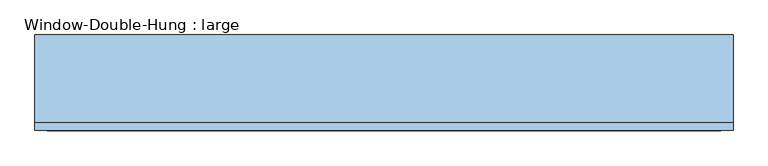
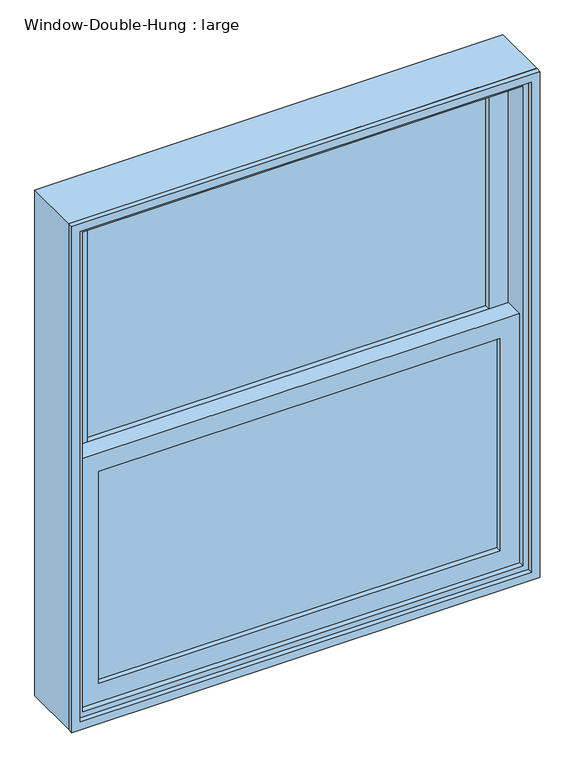
"""IFC4 building model written with IfcOpenShell, lengths in millimetres: window geometry, Window-Double-Hung : large."""

from ifc_helpers import new_model, si_unit, frame, origin, place, context, project, spatial, polyline, outline, extrude, source, transform, mapped, element, save


def window_double_hung_large_e3eacd3b(model_context):
    return source(origin(), model_context, "Body", "SweptSolid", [
        extrude(outline(polyline([(457.2, -6.35), (457.2, -12.7), (-457.2, -12.7), (-457.2, -6.35), (457.2, -6.35)])), frame((0.0, 0.0, 990.6), z_axis=(0.0, 0.0, 1.0), x_axis=(1.0, 0.0, 0.0)), (0.0, 0.0, 1.0), 511.175),
        extrude(outline(polyline([(-457.2, -19.05), (457.2, -19.05), (457.2, -25.4), (-457.2, -25.4), (-457.2, -19.05)])), frame((0.0, 0.0, 990.6), z_axis=(0.0, 0.0, 1.0), x_axis=(1.0, 0.0, 0.0)), (0.0, 0.0, 1.0), 511.175),
        extrude(outline(polyline([(457.2, 38.1), (457.2, 31.75), (-457.2, 31.75), (-457.2, 38.1), (457.2, 38.1)])), frame((0.0, 0.0, 1546.225), z_axis=(0.0, 0.0, 1.0), x_axis=(1.0, 0.0, 0.0)), (0.0, 0.0, 1.0), 511.175),
        extrude(outline(polyline([(-457.2, 25.4), (457.2, 25.4), (457.2, 19.05), (-457.2, 19.05), (-457.2, 25.4)])), frame((0.0, 0.0, 1546.225), z_axis=(0.0, 0.0, 1.0), x_axis=(1.0, 0.0, 0.0)), (0.0, 0.0, 1.0), 511.175),
        extrude(outline(polyline([(1546.225, -501.65), (946.15, -501.65), (946.15, 501.65), (1546.225, 501.65), (1546.225, -501.65)]), holes=[polyline([(1501.775, 457.2), (990.6, 457.2), (990.6, -457.2), (1501.775, -457.2), (1501.775, 457.2)])]), frame((0.0, -38.1, 0.0), z_axis=(0.0, 1.0, 0.0), x_axis=(0.0, 0.0, 1.0)), (0.0, 0.0, 1.0), 44.45),
        extrude(outline(polyline([(2101.85, -501.65), (1501.775, -501.65), (1501.775, 501.65), (2101.85, 501.65), (2101.85, -501.65)]), holes=[polyline([(2057.4, 457.2), (1546.225, 457.2), (1546.225, -457.2), (2057.4, -457.2), (2057.4, 457.2)])]), frame((0.0, 6.35, 0.0), z_axis=(0.0, 1.0, 0.0), x_axis=(0.0, 0.0, 1.0)), (0.0, 0.0, 1.0), 44.45),
        extrude(outline(polyline([(2133.6, -533.4), (914.4, -533.4), (914.4, 533.4), (2133.6, 533.4), (2133.6, -533.4)]), holes=[polyline([(2101.85, 501.65), (946.15, 501.65), (946.15, -501.65), (2101.85, -501.65), (2101.85, 501.65)])]), frame((0.0, -50.8, 0.0), z_axis=(0.0, 1.0, 0.0), x_axis=(0.0, 0.0, 1.0)), (0.0, 0.0, 1.0), 133.35),
        extrude(outline(polyline([(2133.6, 533.4), (2133.6, -533.4), (914.4, -533.4), (914.4, 533.4), (2133.6, 533.4)]), holes=[polyline([(2114.55, 514.35), (933.45, 514.35), (933.45, -514.35), (2114.55, -514.35), (2114.55, 514.35)])]), frame((0.0, -63.5, 0.0), z_axis=(0.0, 1.0, 0.0), x_axis=(0.0, 0.0, 1.0)), (0.0, 0.0, 1.0), 12.7),
    ])


if __name__ == "__main__":
    model = new_model("IFC4")
    model_context = context("Model", 3, world=origin())
    ifc_project = project(units=[si_unit("LENGTHUNIT", "METRE", prefix="MILLI")], contexts=[model_context])
    site = spatial("IfcSite", under=ifc_project)
    building = spatial("IfcBuilding", under=site)
    placement = place(None, origin())
    window_double_hung_large_shape = window_double_hung_large_e3eacd3b(model_context)
    element("IfcWindow", 1, ObjectType="Window-Double-Hung : large", at=placement, inside=building, context=model_context, shape_type="MappedRepresentation", body=[
        mapped(window_double_hung_large_shape, transform((0.0, 0.0, 0.0), x_axis=(1.0, 0.0, 0.0), y_axis=(0.0, 1.0, 0.0), z_axis=(0.0, 0.0, 1.0))),
    ])
    save(model, "model.ifc")
